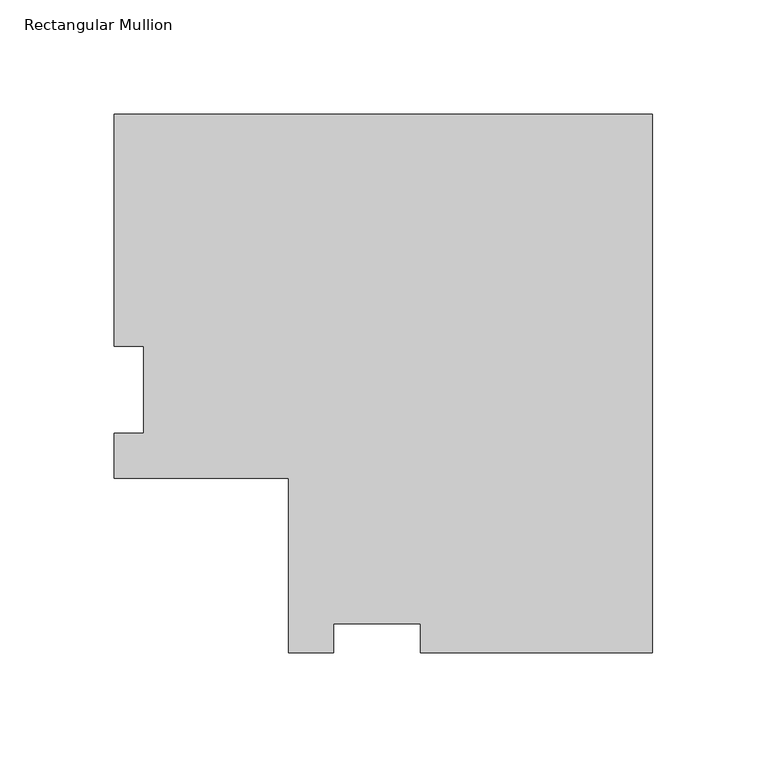
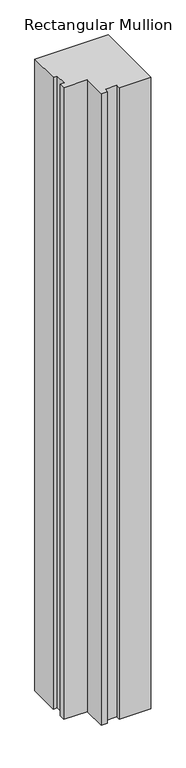
"""IFC4 building model written with IfcOpenShell, lengths in millimetres: member geometry, Rectangular Mullion."""

from ifc_helpers import new_model, si_unit, frame, origin, place, context, project, spatial, polyline, outline, extrude, source, transform, mapped, element, save


def rectangular_mullion_b336ad20(model_context):
    return source(origin(), model_context, "Body", "SweptSolid", [
        extrude(outline(polyline([(-235.0262, 158.8396938), (0.0, 158.8396938), (0.0, -76.1865062), (-101.1936, -76.1865062), (-101.1936, -63.4865063), (-139.2936, -63.4865063), (-139.2936, -76.1865063), (-158.8262, -76.1865063), (-158.8262, 0.0134937), (-235.0262, 0.0134937), (-235.0262, 19.5460938), (-222.3262, 19.5460938), (-222.3262, 57.6460938), (-235.0262, 57.6460938), (-235.0262, 158.8396938)])), frame((0.0, 0.0, -2133.6), z_axis=(0.0, 0.0, 1.0), x_axis=(1.0, 0.0, 0.0)), (0.0, 0.0, 1.0), 2133.6),
    ])


if __name__ == "__main__":
    model = new_model("IFC4")
    model_context = context("Model", 3, world=origin())
    ifc_project = project(units=[si_unit("LENGTHUNIT", "METRE", prefix="MILLI")], contexts=[model_context])
    site = spatial("IfcSite", under=ifc_project)
    building = spatial("IfcBuilding", under=site)
    placement = place(None, origin())
    rectangular_mullion_shape = rectangular_mullion_b336ad20(model_context)
    element("IfcMember", 1, ObjectType="Rectangular Mullion", at=placement, inside=building, context=model_context, shape_type="MappedRepresentation", body=[
        mapped(rectangular_mullion_shape, transform((0.0, 0.0, 0.0), x_axis=(1.0, 0.0, 0.0), y_axis=(0.0, 1.0, 0.0), z_axis=(0.0, 0.0, 1.0))),
    ])
    save(model, "model.ifc")
